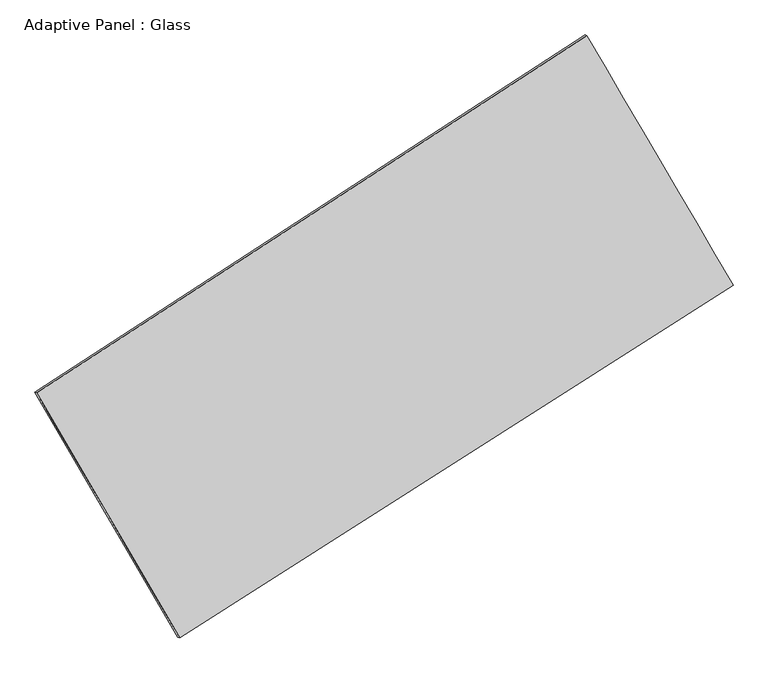
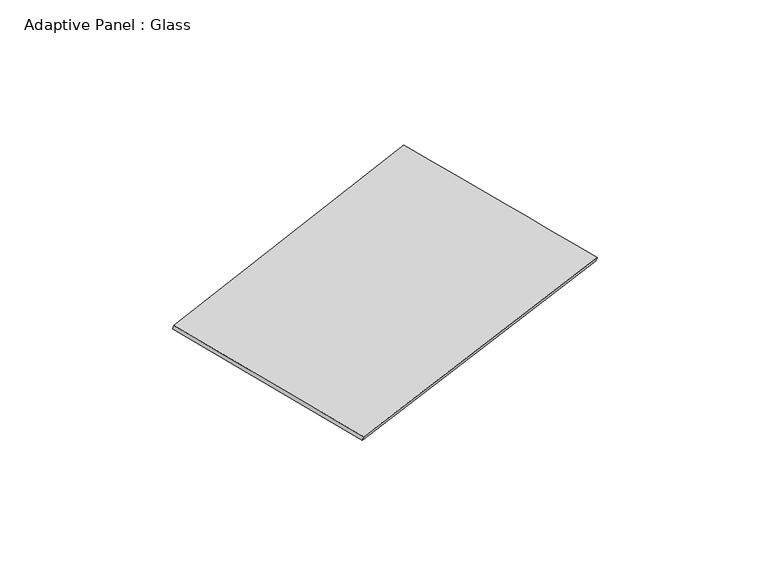
"""IFC4 building model written with IfcOpenShell, lengths in millimetres: plate geometry, Adaptive Panel : Glass."""

from ifc_helpers import new_model, si_unit, frame, origin, place, context, project, spatial, source, transform, mapped, element, save
from ifc_brep_helpers import plane_surface, spline_surface, advanced_brep


def adaptive_panel_glass_d1cb2247(model_context):
    return source(origin(), model_context, "Body", "AdvancedBrep", [
        advanced_brep(
        [(1137.1324476, 2563.49716, 673.8955555), (-3712.5551985, -584.7445011, 1756.5164097), (-3697.8888426, -591.1245946, 1803.8893177), (1151.7988034, 2557.1170665, 721.2684635), (-2452.6108245, -2741.9726839, 1070.6769039), (-2437.9444687, -2748.3527774, 1118.049812), (2424.7429973, 362.9714522, -15.9663489), (2439.4093531, 356.5913587, 31.4065591)],
        [
            (0, 1),
            (1, 2),
            (2, 3),
            (3, 0),
            (1, 4),
            (4, 5),
            (5, 2),
            (4, 6),
            (6, 7),
            (7, 5),
            (6, 0),
            (3, 7),
        ],
        [
            plane_surface(frame((-1287.7113755, 989.3763295, 1215.2059826), z_axis=(-0.4835900436368587, 0.8351040726312536, 0.26218668457798416), x_axis=(-0.8244363257041041, -0.5351942180437104, 0.18404318469342446))),
            plane_surface(frame((-3082.5830115, -1663.3585925, 1413.5966568), z_axis=(-0.8227284635309525, -0.5384449034934621, 0.182194844048658), x_axis=(0.4863428938013146, -0.8326975529300368, -0.2647364255127956))),
            plane_surface(frame((-13.9339136, -1189.5006159, 527.3552775), z_axis=(0.4764802360700523, -0.8396747294557484, -0.2606011000514826), x_axis=(0.8290546061004865, 0.5277796796759608, -0.18470806648521693))),
            plane_surface(frame((1780.9377224, 1463.2343061, 328.9646033), z_axis=(0.82269504328546, 0.538502070515814, -0.18217679820360438), x_axis=(-0.48750176538943957, 0.8331402438331887, 0.26118836660110817))),
            spline_surface(1, 1, [[(-3697.8888426, -591.1245946, 1803.8893177), (1151.7988034, 2557.1170665, 721.2684635)], [(-2437.9444687, -2748.3527774, 1118.049812), (2439.4093531, 356.5913587, 31.4065591)]], [2, 2], [2, 2], [0.0, 1.0], [0.0, 1.0]),
            spline_surface(1, 1, [[(2424.7429973, 362.9714522, -15.9663489), (1137.1324476, 2563.49716, 673.8955555)], [(-2452.6108245, -2741.9726839, 1070.6769039), (-3712.5551985, -584.7445011, 1756.5164097)]], [2, 2], [2, 2], [0.0, 1.0], [0.0, 1.0]),
        ],
        [
            (0, [[1, 2, 3, 4]]),
            (1, [[5, 6, 7, -2]]),
            (2, [[8, 9, 10, -6]]),
            (3, [[11, -4, 12, -9]]),
            (4, [[-3, -7, -10, -12]]),
            (5, [[-11, -8, -5, -1]]),
        ],
    ),
    ])


if __name__ == "__main__":
    model = new_model("IFC4")
    model_context = context("Model", 3, world=origin())
    ifc_project = project(units=[si_unit("LENGTHUNIT", "METRE", prefix="MILLI")], contexts=[model_context])
    site = spatial("IfcSite", under=ifc_project)
    building = spatial("IfcBuilding", under=site)
    placement = place(None, origin())
    adaptive_panel_glass_shape = adaptive_panel_glass_d1cb2247(model_context)
    element("IfcPlate", 1, ObjectType="Adaptive Panel : Glass", at=placement, inside=building, context=model_context, shape_type="MappedRepresentation", body=[
        mapped(adaptive_panel_glass_shape, transform((0.0, 0.0, 0.0), x_axis=(1.0, 0.0, 0.0), y_axis=(0.0, 1.0, 0.0), z_axis=(0.0, 0.0, 1.0))),
    ])
    save(model, "model.ifc")
